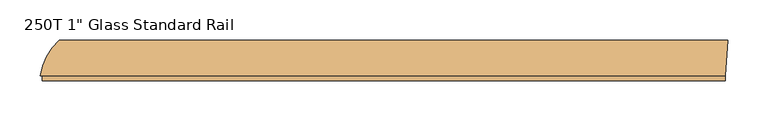
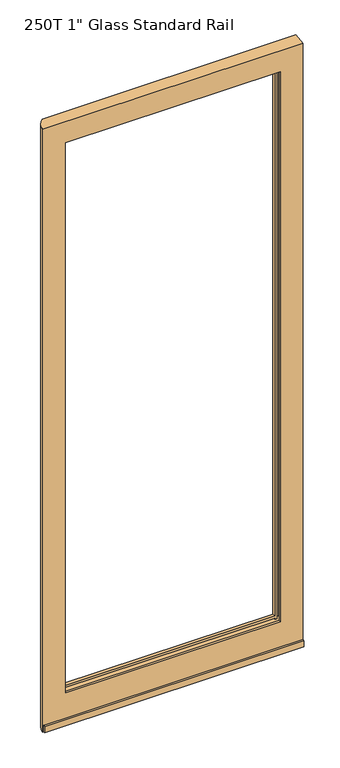
"""IFC4 building model written with IfcOpenShell, lengths in millimetres: door geometry."""

from ifc_helpers import new_model, si_unit, frame, origin, place, context, project, spatial, polyline, circle_curve, outline, extrude, source, transform, mapped, element, save
from ifc_brep_helpers import plane_surface, cylinder_surface, advanced_brep


def door_ba6c03b7(model_context):
    return source(origin(), model_context, "Body", "SolidModel", [
        advanced_brep(
        [(-428.8437266, 12.7, 2108.2), (-428.8437266, 12.7, 17.4625), (425.8373512, 12.7, 17.4625), (425.8373512, 12.7, 2108.2), (352.425, 12.7, 127.0), (-354.0125, 12.7, 127.0), (-354.0125, 12.7, 2035.175), (352.425, 12.7, 2035.175), (-354.0125, 15.875, 119.3799225), (352.425, 15.875, 119.3799225), (352.425, 15.875, 114.3), (-354.0125, 15.875, 114.3), (352.425, 53.975, 119.3799225), (-354.0125, 53.975, 119.3799225), (-354.0125, 53.975, 114.3), (352.425, 53.975, 114.3), (-354.0125, 55.5625, 127.0), (352.425, 55.5625, 127.0), (352.425, 55.5625, 114.3), (-354.0125, 55.5625, 114.3), (-354.0125, 53.975, 2042.5171875), (352.425, 53.975, 2042.5171875), (352.425, 53.975, 2047.875), (-354.0125, 53.975, 2047.875), (352.425, 15.875, 2042.5171875), (-354.0125, 15.875, 2042.5171875), (-354.0125, 15.875, 2047.875), (352.425, 15.875, 2047.875), (352.425, 55.5625, 2035.175), (-354.0125, 55.5625, 2035.175), (-354.0125, 55.5625, 2047.875), (352.425, 55.5625, 2047.875), (352.425, 19.84375, 127.0), (-354.0125, 19.84375, 127.0), (-354.0125, 19.84375, 119.3799225), (352.425, 19.84375, 119.3799225), (352.425, 45.24375, 119.3799225), (-354.0125, 45.24375, 119.3799225), (-354.0125, 45.24375, 127.0), (352.425, 45.24375, 127.0), (352.425, 19.84375, 2042.5171875), (-354.0125, 19.84375, 2042.5171875), (-354.0125, 19.84375, 2035.175), (352.425, 19.84375, 2035.175), (352.425, 45.24375, 2035.175), (-354.0125, 45.24375, 2035.175), (-354.0125, 45.24375, 2042.5171875), (352.425, 45.24375, 2042.5171875), (-404.8012723, 57.15, 2108.2), (429.41875, 57.15, 2108.2), (-404.8012723, 57.15, 17.4625), (429.41875, 57.15, 17.4625), (-373.0625, 15.875, 114.3), (-373.0625, 55.5625, 114.3), (-373.0625, 55.5625, 2047.875), (-373.0625, 15.875, 2047.875), (-354.0125, 57.15, 114.3), (352.425, 57.15, 114.3), (352.425, 57.15, 2047.875), (-354.0125, 57.15, 2047.875), (371.475, 55.5625, 114.3), (371.475, 15.875, 114.3), (371.475, 15.875, 2047.875), (371.475, 55.5625, 2047.875), (352.425, 19.84375, 114.3), (359.7671875, 19.84375, 114.3), (359.7671875, 15.875, 114.3), (359.7671875, 55.5625, 114.3), (359.7671875, 45.24375, 114.3), (352.425, 45.24375, 114.3), (-354.0125, 45.24375, 114.3), (-361.3277013, 45.24375, 114.3), (-361.3277013, 55.5625, 114.3), (-361.3277013, 15.875, 114.3), (-361.3277013, 19.84375, 114.3), (-354.0125, 19.84375, 114.3), (352.425, 45.24375, 2047.875), (359.7671875, 45.24375, 2047.875), (359.7671875, 55.5625, 2047.875), (359.7671875, 15.875, 2047.875), (359.7671875, 19.84375, 2047.875), (352.425, 19.84375, 2047.875), (-354.0125, 19.84375, 2047.875), (-361.3277013, 19.84375, 2047.875), (-361.3277013, 15.875, 2047.875), (-361.3277013, 55.5625, 2047.875), (-361.3277013, 45.24375, 2047.875), (-354.0125, 45.24375, 2047.875)],
        [
            (0, 1),
            (1, 2),
            (2, 3),
            (3, 0),
            (4, 5),
            (5, 6),
            (6, 7),
            (7, 4),
            (8, 9),
            (9, 10),
            (10, 11),
            (11, 8),
            (12, 13),
            (13, 14),
            (14, 15),
            (15, 12),
            (16, 17),
            (17, 18),
            (18, 19),
            (19, 16),
            (20, 21),
            (21, 22),
            (22, 23),
            (23, 20),
            (24, 25),
            (25, 26),
            (26, 27),
            (27, 24),
            (28, 29),
            (29, 30),
            (30, 31),
            (31, 28),
            (4, 32),
            (32, 33),
            (33, 5),
            (34, 35),
            (35, 9),
            (8, 34),
            (36, 37),
            (37, 13),
            (12, 36),
            (38, 39),
            (39, 17),
            (16, 38),
            (40, 41),
            (41, 25),
            (24, 40),
            (42, 43),
            (43, 7),
            (6, 42),
            (28, 44),
            (44, 45),
            (45, 29),
            (46, 47),
            (47, 21),
            (20, 46),
            (48, 0, circle_curve(frame((-352.2527085, 0.0, 2108.2), z_axis=(0.0, 0.0, 1.0), x_axis=(1.0, 0.0, 0.0)), 77.6368087)),
            (3, 49),
            (49, 48),
            (1, 50, circle_curve(frame((-352.2527085, 0.0, 17.4625), z_axis=(0.0, 0.0, -1.0), x_axis=(1.0, 0.0, 0.0)), 77.6368087)),
            (50, 51),
            (51, 2),
            (48, 50),
            (52, 53),
            (53, 54),
            (54, 55),
            (55, 52),
            (49, 51),
            (56, 57),
            (57, 58),
            (58, 59),
            (59, 56),
            (60, 61),
            (61, 62),
            (62, 63),
            (63, 60),
            (10, 64),
            (64, 65),
            (65, 66),
            (66, 61),
            (60, 67),
            (67, 68),
            (68, 69),
            (69, 15),
            (14, 70),
            (70, 71),
            (71, 72),
            (72, 53),
            (52, 73),
            (73, 74),
            (74, 75),
            (75, 11),
            (18, 57),
            (56, 19),
            (22, 76),
            (76, 77),
            (77, 78),
            (78, 63),
            (62, 79),
            (79, 80),
            (80, 81),
            (81, 27),
            (26, 82),
            (82, 83),
            (83, 84),
            (84, 55),
            (54, 85),
            (85, 86),
            (86, 87),
            (87, 23),
            (30, 59),
            (58, 31),
            (72, 85),
            (78, 67),
            (84, 73),
            (66, 79),
            (75, 34),
            (41, 82),
            (33, 42),
            (83, 74),
            (45, 38),
            (37, 70),
            (87, 46),
            (71, 86),
            (39, 44),
            (69, 36),
            (47, 76),
            (77, 68),
            (43, 32),
            (35, 64),
            (81, 40),
            (65, 80),
        ],
        [
            plane_surface(frame((-354.0125, 12.7, 114.3), z_axis=(0.0, -1.0, 0.0), x_axis=(1.0, 0.0, 0.0))),
            plane_surface(frame((-354.0125, 15.875, 119.3799225), z_axis=(0.0, 1.0, 0.0), x_axis=(1.0, 0.0, 0.0))),
            plane_surface(frame((-354.0125, 53.975, 114.3), z_axis=(0.0, -1.0, 0.0), x_axis=(1.0, 0.0, 0.0))),
            plane_surface(frame((-354.0125, 55.5625, 119.3799225), z_axis=(0.0, 1.0, 0.0), x_axis=(1.0, 0.0, 0.0))),
            plane_surface(frame((-354.0125, 53.975, 2042.5171875), z_axis=(0.0, -1.0, 0.0), x_axis=(1.0, 0.0, 0.0))),
            plane_surface(frame((-354.0125, 15.875, 2047.875), z_axis=(0.0, 1.0, 0.0), x_axis=(1.0, 0.0, 0.0))),
            plane_surface(frame((-354.0125, 55.5625, 2047.875), z_axis=(0.0, 1.0, 0.0), x_axis=(1.0, 0.0, 0.0))),
            plane_surface(frame((-354.0125, 12.7, 127.0), z_axis=(0.0, 0.0, 1.0), x_axis=(1.0, 0.0, 0.0))),
            plane_surface(frame((-354.0125, 19.84375, 119.3799225), z_axis=(0.0, 0.0, -1.0), x_axis=(1.0, 0.0, 0.0))),
            plane_surface(frame((-354.0125, 55.5625, 119.3799225), z_axis=(0.0, 0.0, -1.0), x_axis=(1.0, 0.0, 0.0))),
            plane_surface(frame((-354.0125, 45.24375, 127.0), z_axis=(0.0, 0.0, 1.0), x_axis=(1.0, 0.0, 0.0))),
            plane_surface(frame((-354.0125, 12.7, 2042.5171875), z_axis=(0.0, 0.0, 1.0), x_axis=(1.0, 0.0, 0.0))),
            plane_surface(frame((-354.0125, 19.84375, 2035.175), z_axis=(0.0, 0.0, -1.0), x_axis=(1.0, 0.0, 0.0))),
            plane_surface(frame((-354.0125, 55.5625, 2035.175), z_axis=(0.0, 0.0, -1.0), x_axis=(1.0, 0.0, 0.0))),
            plane_surface(frame((-354.0125, 45.24375, 2042.5171875), z_axis=(0.0, 0.0, 1.0), x_axis=(1.0, 0.0, 0.0))),
            plane_surface(frame((-274.6158998, 0.0, 2108.2), z_axis=(0.0, 0.0, 1.0), x_axis=(0.0, 1.0, 0.0))),
            plane_surface(frame((-274.6158998, 0.0, 17.4625), z_axis=(0.0, 0.0, -1.0), x_axis=(0.0, -1.0, 0.0))),
            cylinder_surface(frame((-352.2527085, 0.0, 17.4625), z_axis=(0.0, 0.0, 1.0), x_axis=(1.0, 0.0, 0.0)), 77.6368087),
            plane_surface(frame((-373.0625, 12.7, 2108.2), z_axis=(1.0, 0.0, 0.0), x_axis=(0.0, 0.0, -1.0))),
            plane_surface(frame((-373.0625, 57.15, 2108.2), z_axis=(0.0, 1.0, 0.0), x_axis=(0.0, 0.0, -1.0))),
            plane_surface(frame((371.475, 57.15, 2108.2), z_axis=(-1.0, 0.0, 0.0), x_axis=(0.0, 0.0, -1.0))),
            plane_surface(frame((425.8373512, 12.7, 2108.2), z_axis=(0.9967698431043912, -0.08031114416846193, 0.0), x_axis=(0.0, 0.0, -1.0))),
            plane_surface(frame((-373.0625, 12.7, 114.3), z_axis=(0.0, 0.0, 1.0), x_axis=(1.0, 0.0, 0.0))),
            plane_surface(frame((-373.0625, 57.15, 2047.875), z_axis=(0.0, 0.0, -1.0), x_axis=(1.0, 0.0, 0.0))),
            plane_surface(frame((-373.0625, 55.5625, 2047.875), z_axis=(0.0, -1.0, 0.0), x_axis=(0.0, 0.0, -1.0))),
            plane_surface(frame((359.7671875, 55.5625, 2047.875), z_axis=(0.0, -1.0, 0.0), x_axis=(0.0, 0.0, -1.0))),
            plane_surface(frame((-361.3277013, 15.875, 2047.875), z_axis=(0.0, 1.0, 0.0), x_axis=(0.0, 0.0, -1.0))),
            plane_surface(frame((371.475, 15.875, 2047.875), z_axis=(0.0, 1.0, 0.0), x_axis=(0.0, 0.0, -1.0))),
            plane_surface(frame((-354.0125, 12.7, 2047.875), z_axis=(1.0, 0.0, 0.0), x_axis=(0.0, 0.0, -1.0))),
            plane_surface(frame((-361.3277013, 19.84375, 2047.875), z_axis=(-1.0, 0.0, 0.0), x_axis=(0.0, 0.0, -1.0))),
            plane_surface(frame((-354.0125, 45.24375, 2047.875), z_axis=(1.0, 0.0, 0.0), x_axis=(0.0, 0.0, -1.0))),
            plane_surface(frame((-361.3277013, 57.15, 2047.875), z_axis=(-1.0, 0.0, 0.0), x_axis=(0.0, 0.0, -1.0))),
            plane_surface(frame((352.425, 57.15, 2047.875), z_axis=(-1.0, 0.0, 0.0), x_axis=(0.0, 0.0, -1.0))),
            plane_surface(frame((359.7671875, 45.24375, 2047.875), z_axis=(1.0, 0.0, 0.0), x_axis=(0.0, 0.0, -1.0))),
            plane_surface(frame((352.425, 19.84375, 2047.875), z_axis=(-1.0, 0.0, 0.0), x_axis=(0.0, 0.0, -1.0))),
            plane_surface(frame((359.7671875, 12.7, 2047.875), z_axis=(1.0, 0.0, 0.0), x_axis=(0.0, 0.0, -1.0))),
            plane_surface(frame((-354.0125, 45.24375, 119.3799225), z_axis=(0.0, -1.0, 0.0), x_axis=(1.0, 0.0, 0.0))),
            plane_surface(frame((-354.0125, 19.84375, 127.0), z_axis=(0.0, 1.0, 0.0), x_axis=(1.0, 0.0, 0.0))),
        ],
        [
            (0, [[1, 2, 3, 4], [5, 6, 7, 8]]),
            (1, [[9, 10, 11, 12]]),
            (2, [[13, 14, 15, 16]]),
            (3, [[17, 18, 19, 20]]),
            (4, [[21, 22, 23, 24]]),
            (5, [[25, 26, 27, 28]]),
            (6, [[29, 30, 31, 32]]),
            (7, [[-5, 33, 34, 35]]),
            (8, [[36, 37, -9, 38]]),
            (9, [[39, 40, -13, 41]]),
            (10, [[42, 43, -17, 44]]),
            (11, [[45, 46, -25, 47]]),
            (12, [[48, 49, -7, 50]]),
            (13, [[-29, 51, 52, 53]]),
            (14, [[54, 55, -21, 56]]),
            (15, [[57, -4, 58, 59]]),
            (16, [[60, 61, 62, -2]]),
            (17, [[-57, 63, -60, -1]]),
            (18, [[64, 65, 66, 67]]),
            (19, [[-63, -59, 68, -61], [69, 70, 71, 72]]),
            (20, [[73, 74, 75, 76]]),
            (21, [[-58, -3, -62, -68]]),
            (22, [[-11, 77, 78, 79, 80, -73, 81, 82, 83, 84, -15, 85, 86, 87, 88, -64, 89, 90, 91, 92]]),
            (22, [[-19, 93, -69, 94]]),
            (23, [[-23, 95, 96, 97, 98, -75, 99, 100, 101, 102, -27, 103, 104, 105, 106, -66, 107, 108, 109, 110]]),
            (23, [[-31, 111, -71, 112]]),
            (24, [[-65, -88, 113, -107]]),
            (25, [[-76, -98, 114, -81]]),
            (26, [[-67, -106, 115, -89]]),
            (27, [[-74, -80, 116, -99]]),
            (28, [[117, -38, -12, -92]]),
            (28, [[118, -103, -26, -46]]),
            (28, [[119, -50, -6, -35]]),
            (29, [[120, -90, -115, -105]]),
            (30, [[-72, -111, -30, -53, 121, -44, -20, -94]]),
            (30, [[122, -85, -14, -40]]),
            (30, [[123, -56, -24, -110]]),
            (31, [[124, -108, -113, -87]]),
            (32, [[-70, -93, -18, -43, 125, -51, -32, -112]]),
            (32, [[126, -41, -16, -84]]),
            (32, [[127, -95, -22, -55]]),
            (33, [[128, -82, -114, -97]]),
            (34, [[-8, -49, 129, -33]]),
            (34, [[130, -77, -10, -37]]),
            (34, [[131, -47, -28, -102]]),
            (35, [[132, -100, -116, -79]]),
            (36, [[-39, -126, -83, -128, -96, -127, -54, -123, -109, -124, -86, -122], [-121, -52, -125, -42]]),
            (37, [[-118, -45, -131, -101, -132, -78, -130, -36, -117, -91, -120, -104], [-34, -129, -48, -119]]),
        ],
    ),
        extrude(outline(polyline([(12.7, 39.7856604), (12.7, 17.4625), (6.7437, 17.4625), (6.7437, 38.3005881), (12.7, 39.7856604)])), frame((-425.9677763, 0.0, 0.0), z_axis=(1.0, 0.0, 0.0), x_axis=(0.0, 1.0, 0.0)), (0.0, 0.0, 1.0), 851.8051274),
    ])


if __name__ == "__main__":
    model = new_model("IFC4")
    model_context = context("Model", 3, world=origin())
    ifc_project = project(units=[si_unit("LENGTHUNIT", "METRE", prefix="MILLI")], contexts=[model_context])
    site = spatial("IfcSite", under=ifc_project)
    building = spatial("IfcBuilding", under=site)
    placement = place(None, origin())
    door_shape = door_ba6c03b7(model_context)
    element("IfcDoor", 1, ObjectType="250T 1\" Glass Standard Rail", at=placement, inside=building, context=model_context, shape_type="MappedRepresentation", body=[
        mapped(door_shape, transform((0.0, 0.0, 0.0), x_axis=(1.0, 0.0, 0.0), y_axis=(0.0, 1.0, 0.0), z_axis=(0.0, 0.0, 1.0))),
    ])
    save(model, "model.ifc")
